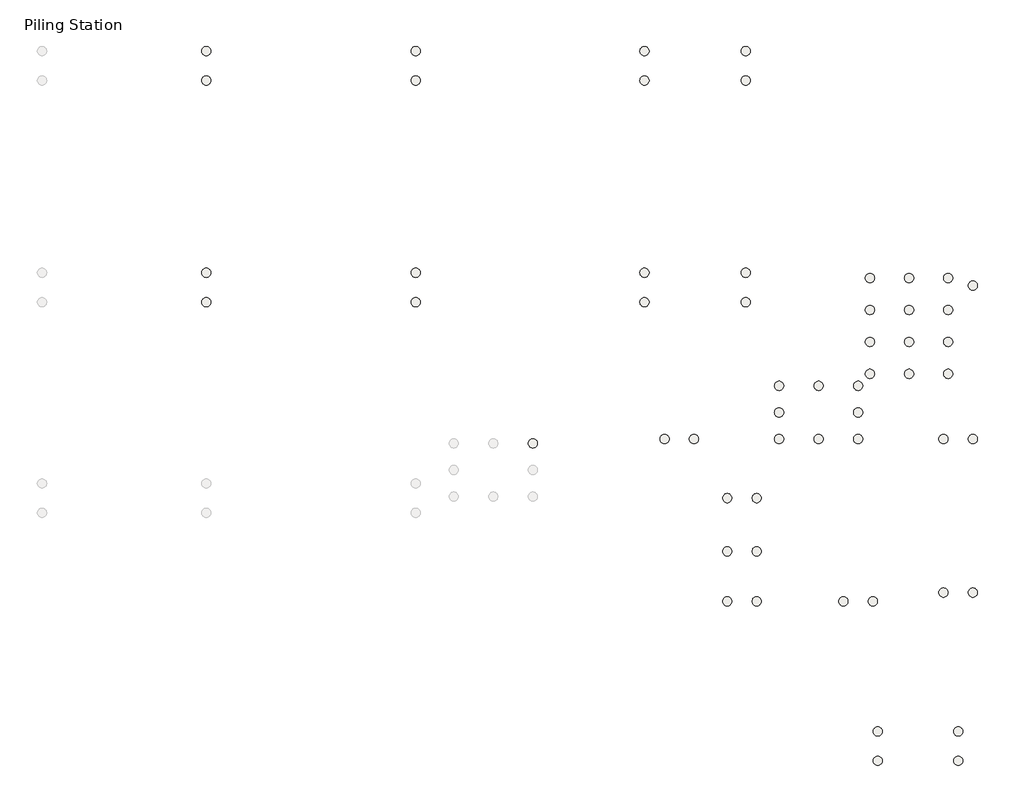
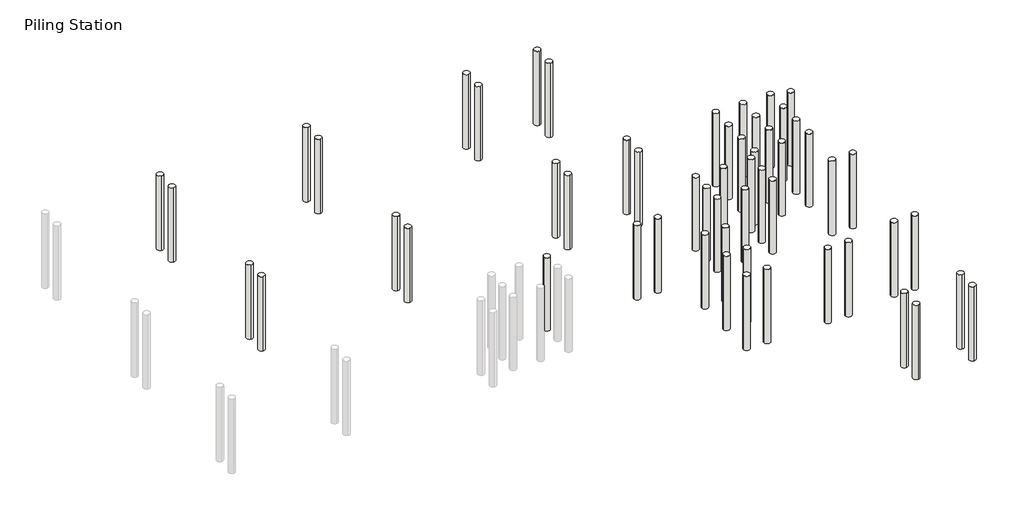
# One storey, part 4 of 4: 56 slabs.
"""IFC4 building model written with IfcOpenShell, lengths in millimetres."""

from ifc_helpers import new_model, si_unit, point, frame, frame_2d, origin, place, context, project, spatial, circle_curve, trimmed, segment, composite_curve, outline, extrude, element, save

model = new_model("IFC4")

# Units and contexts
model_context = context("Model", 3, world=origin())
ifc_project = project(units=[si_unit("LENGTHUNIT", "METRE", prefix="MILLI")], contexts=[model_context])

# Site, building, storey
site = spatial("IfcSite", under=ifc_project)
building = spatial("IfcBuilding", under=site)
storey = spatial("IfcBuildingStorey", under=building, Name="Piling Station", Elevation=-2100.0)

# Slabs
placement = place(None, origin())
element("IfcSlab", 1, ObjectType="Pile-Round with Symbol", at=placement, inside=storey, context=model_context, shape_type="SweptSolid", body=[
    extrude(outline(composite_curve([segment(trimmed(circle_curve(frame_2d((23682.3731257, -16245.558232)), 125.0), [point((23807.3731257, -16245.558232))], [point((23557.3731257, -16245.558232))], False, "CARTESIAN"), True, "CONTINUOUS"), segment(trimmed(circle_curve(frame_2d((23682.3731257, -16245.558232)), 125.0), [point((23557.3731257, -16245.558232))], [point((23807.3731257, -16245.558232))], False, "CARTESIAN"), True, "CONTINUOUS")], self_intersect=False)), frame((0.0, 0.0, -5100.0), z_axis=(0.0, 0.0, 1.0), x_axis=(1.0, 0.0, 0.0)), (0.0, 0.0, 1.0), 3050.0),
])
element("IfcSlab", 2, ObjectType="Pile-Round with Symbol", at=placement, inside=storey, context=model_context, shape_type="SweptSolid", body=[
    extrude(outline(composite_curve([segment(trimmed(circle_curve(frame_2d((22882.3731257, -16245.558232)), 125.0), [point((22757.3731257, -16245.558232))], [point((23007.3731257, -16245.558232))], False, "CARTESIAN"), True, "CONTINUOUS"), segment(trimmed(circle_curve(frame_2d((22882.3731257, -16245.558232)), 125.0), [point((23007.3731257, -16245.558232))], [point((22757.3731257, -16245.558232))], False, "CARTESIAN"), True, "CONTINUOUS")], self_intersect=False)), frame((0.0, 0.0, -5100.0), z_axis=(0.0, 0.0, 1.0), x_axis=(1.0, 0.0, 0.0)), (0.0, 0.0, 1.0), 3050.0),
])
element("IfcSlab", 3, ObjectType="Pile-Round with Symbol", at=placement, inside=storey, context=model_context, shape_type="SweptSolid", body=[
    extrude(outline(composite_curve([segment(trimmed(circle_curve(frame_2d((23682.3731257, -20421.3915653)), 125.0), [point((23807.3731257, -20421.3915653))], [point((23557.3731257, -20421.3915653))], False, "CARTESIAN"), True, "CONTINUOUS"), segment(trimmed(circle_curve(frame_2d((23682.3731257, -20421.3915653)), 125.0), [point((23557.3731257, -20421.3915653))], [point((23807.3731257, -20421.3915653))], False, "CARTESIAN"), True, "CONTINUOUS")], self_intersect=False)), frame((0.0, 0.0, -5100.0), z_axis=(0.0, 0.0, 1.0), x_axis=(1.0, 0.0, 0.0)), (0.0, 0.0, 1.0), 3050.0),
])
element("IfcSlab", 4, ObjectType="Pile-Round with Symbol", at=placement, inside=storey, context=model_context, shape_type="SweptSolid", body=[
    extrude(outline(composite_curve([segment(trimmed(circle_curve(frame_2d((22882.3731257, -20421.3915653)), 125.0), [point((22757.3731257, -20421.3915653))], [point((23007.3731257, -20421.3915653))], False, "CARTESIAN"), True, "CONTINUOUS"), segment(trimmed(circle_curve(frame_2d((22882.3731257, -20421.3915653)), 125.0), [point((23007.3731257, -20421.3915653))], [point((22757.3731257, -20421.3915653))], False, "CARTESIAN"), True, "CONTINUOUS")], self_intersect=False)), frame((0.0, 0.0, -5100.0), z_axis=(0.0, 0.0, 1.0), x_axis=(1.0, 0.0, 0.0)), (0.0, 0.0, 1.0), 3050.0),
])
element("IfcSlab", 5, ObjectType="Pile-Round with Symbol", at=placement, inside=storey, context=model_context, shape_type="SweptSolid", body=[
    extrude(outline(composite_curve([segment(trimmed(circle_curve(frame_2d((20962.4250814, -20659.7180835)), 125.0), [point((21087.4250814, -20659.7180835))], [point((20837.4250814, -20659.7180835))], False, "CARTESIAN"), True, "CONTINUOUS"), segment(trimmed(circle_curve(frame_2d((20962.4250814, -20659.7180835)), 125.0), [point((20837.4250814, -20659.7180835))], [point((21087.4250814, -20659.7180835))], False, "CARTESIAN"), True, "CONTINUOUS")], self_intersect=False)), frame((0.0, 0.0, -5100.0), z_axis=(0.0, 0.0, 1.0), x_axis=(1.0, 0.0, 0.0)), (0.0, 0.0, 1.0), 3050.0),
])
element("IfcSlab", 6, ObjectType="Pile-Round with Symbol", at=placement, inside=storey, context=model_context, shape_type="SweptSolid", body=[
    extrude(outline(composite_curve([segment(trimmed(circle_curve(frame_2d((20162.4250814, -20659.7180835)), 125.0), [point((20037.4250814, -20659.7180835))], [point((20287.4250814, -20659.7180835))], False, "CARTESIAN"), True, "CONTINUOUS"), segment(trimmed(circle_curve(frame_2d((20162.4250814, -20659.7180835)), 125.0), [point((20287.4250814, -20659.7180835))], [point((20037.4250814, -20659.7180835))], False, "CARTESIAN"), True, "CONTINUOUS")], self_intersect=False)), frame((0.0, 0.0, -5100.0), z_axis=(0.0, 0.0, 1.0), x_axis=(1.0, 0.0, 0.0)), (0.0, 0.0, 1.0), 3050.0),
])
element("IfcSlab", 7, ObjectType="Pile-Round with Symbol", at=placement, inside=storey, context=model_context, shape_type="SweptSolid", body=[
    extrude(outline(composite_curve([segment(trimmed(circle_curve(frame_2d((17804.9250814, -20659.7180835)), 125.0), [point((17929.9250814, -20659.7180835))], [point((17679.9250814, -20659.7180835))], False, "CARTESIAN"), True, "CONTINUOUS"), segment(trimmed(circle_curve(frame_2d((17804.9250814, -20659.7180835)), 125.0), [point((17679.9250814, -20659.7180835))], [point((17929.9250814, -20659.7180835))], False, "CARTESIAN"), True, "CONTINUOUS")], self_intersect=False)), frame((0.0, 0.0, -5100.0), z_axis=(0.0, 0.0, 1.0), x_axis=(1.0, 0.0, 0.0)), (0.0, 0.0, 1.0), 3050.0),
])
element("IfcSlab", 8, ObjectType="Pile-Round with Symbol", at=placement, inside=storey, context=model_context, shape_type="SweptSolid", body=[
    extrude(outline(composite_curve([segment(trimmed(circle_curve(frame_2d((17004.9250814, -20659.7180835)), 125.0), [point((16879.9250814, -20659.7180835))], [point((17129.9250814, -20659.7180835))], False, "CARTESIAN"), True, "CONTINUOUS"), segment(trimmed(circle_curve(frame_2d((17004.9250814, -20659.7180835)), 125.0), [point((17129.9250814, -20659.7180835))], [point((16879.9250814, -20659.7180835))], False, "CARTESIAN"), True, "CONTINUOUS")], self_intersect=False)), frame((0.0, 0.0, -5100.0), z_axis=(0.0, 0.0, 1.0), x_axis=(1.0, 0.0, 0.0)), (0.0, 0.0, 1.0), 3050.0),
])
element("IfcSlab", 9, ObjectType="Pile-Round with Symbol", at=placement, inside=storey, context=model_context, shape_type="SweptSolid", body=[
    extrude(outline(composite_curve([segment(trimmed(circle_curve(frame_2d((23282.3731257, -24197.2248986)), 125.0), [point((23282.3731257, -24072.2248986))], [point((23282.3731257, -24322.2248986))], False, "CARTESIAN"), True, "CONTINUOUS"), segment(trimmed(circle_curve(frame_2d((23282.3731257, -24197.2248986)), 125.0), [point((23282.3731257, -24322.2248986))], [point((23282.3731257, -24072.2248986))], False, "CARTESIAN"), True, "CONTINUOUS")], self_intersect=False)), frame((0.0, 0.0, -5100.0), z_axis=(0.0, 0.0, 1.0), x_axis=(1.0, 0.0, 0.0)), (0.0, 0.0, 1.0), 3050.0),
])
element("IfcSlab", 10, ObjectType="Pile-Round with Symbol", at=placement, inside=storey, context=model_context, shape_type="SweptSolid", body=[
    extrude(outline(composite_curve([segment(trimmed(circle_curve(frame_2d((23282.3731257, -24997.2248986)), 125.0), [point((23282.3731257, -25122.2248986))], [point((23282.3731257, -24872.2248986))], False, "CARTESIAN"), True, "CONTINUOUS"), segment(trimmed(circle_curve(frame_2d((23282.3731257, -24997.2248986)), 125.0), [point((23282.3731257, -24872.2248986))], [point((23282.3731257, -25122.2248986))], False, "CARTESIAN"), True, "CONTINUOUS")], self_intersect=False)), frame((0.0, 0.0, -5100.0), z_axis=(0.0, 0.0, 1.0), x_axis=(1.0, 0.0, 0.0)), (0.0, 0.0, 1.0), 3050.0),
])
element("IfcSlab", 11, ObjectType="Pile-Round with Symbol", at=placement, inside=storey, context=model_context, shape_type="SweptSolid", body=[
    extrude(outline(composite_curve([segment(trimmed(circle_curve(frame_2d((21097.4250814, -24197.2248986)), 125.0), [point((21097.4250814, -24072.2248986))], [point((21097.4250814, -24322.2248986))], False, "CARTESIAN"), True, "CONTINUOUS"), segment(trimmed(circle_curve(frame_2d((21097.4250814, -24197.2248986)), 125.0), [point((21097.4250814, -24322.2248986))], [point((21097.4250814, -24072.2248986))], False, "CARTESIAN"), True, "CONTINUOUS")], self_intersect=False)), frame((0.0, 0.0, -5100.0), z_axis=(0.0, 0.0, 1.0), x_axis=(1.0, 0.0, 0.0)), (0.0, 0.0, 1.0), 3050.0),
])
element("IfcSlab", 12, ObjectType="Pile-Round with Symbol", at=placement, inside=storey, context=model_context, shape_type="SweptSolid", body=[
    extrude(outline(composite_curve([segment(trimmed(circle_curve(frame_2d((21097.4250814, -24997.2248986)), 125.0), [point((21097.4250814, -25122.2248986))], [point((21097.4250814, -24872.2248986))], False, "CARTESIAN"), True, "CONTINUOUS"), segment(trimmed(circle_curve(frame_2d((21097.4250814, -24997.2248986)), 125.0), [point((21097.4250814, -24872.2248986))], [point((21097.4250814, -25122.2248986))], False, "CARTESIAN"), True, "CONTINUOUS")], self_intersect=False)), frame((0.0, 0.0, -5100.0), z_axis=(0.0, 0.0, 1.0), x_axis=(1.0, 0.0, 0.0)), (0.0, 0.0, 1.0), 3050.0),
])
element("IfcSlab", 13, ObjectType="Pile-Round with Symbol", at=placement, inside=storey, context=model_context, shape_type="SweptSolid", body=[
    extrude(outline(composite_curve([segment(trimmed(circle_curve(frame_2d((17804.9250814, -19299.1395763)), 125.0), [point((17929.9250814, -19299.1395763))], [point((17679.9250814, -19299.1395763))], False, "CARTESIAN"), True, "CONTINUOUS"), segment(trimmed(circle_curve(frame_2d((17804.9250814, -19299.1395763)), 125.0), [point((17679.9250814, -19299.1395763))], [point((17929.9250814, -19299.1395763))], False, "CARTESIAN"), True, "CONTINUOUS")], self_intersect=False)), frame((0.0, 0.0, -5100.0), z_axis=(0.0, 0.0, 1.0), x_axis=(1.0, 0.0, 0.0)), (0.0, 0.0, 1.0), 3050.0),
])
element("IfcSlab", 14, ObjectType="Pile-Round with Symbol", at=placement, inside=storey, context=model_context, shape_type="SweptSolid", body=[
    extrude(outline(composite_curve([segment(trimmed(circle_curve(frame_2d((17004.9250814, -19299.1395763)), 125.0), [point((16879.9250814, -19299.1395763))], [point((17129.9250814, -19299.1395763))], False, "CARTESIAN"), True, "CONTINUOUS"), segment(trimmed(circle_curve(frame_2d((17004.9250814, -19299.1395763)), 125.0), [point((17129.9250814, -19299.1395763))], [point((16879.9250814, -19299.1395763))], False, "CARTESIAN"), True, "CONTINUOUS")], self_intersect=False)), frame((0.0, 0.0, -5100.0), z_axis=(0.0, 0.0, 1.0), x_axis=(1.0, 0.0, 0.0)), (0.0, 0.0, 1.0), 3050.0),
])
element("IfcSlab", 15, ObjectType="Pile-Round with Symbol", at=placement, inside=storey, context=model_context, shape_type="SweptSolid", body=[
    extrude(outline(composite_curve([segment(trimmed(circle_curve(frame_2d((17804.9250814, -17852.2248986)), 125.0), [point((17929.9250814, -17852.2248986))], [point((17679.9250814, -17852.2248986))], False, "CARTESIAN"), True, "CONTINUOUS"), segment(trimmed(circle_curve(frame_2d((17804.9250814, -17852.2248986)), 125.0), [point((17679.9250814, -17852.2248986))], [point((17929.9250814, -17852.2248986))], False, "CARTESIAN"), True, "CONTINUOUS")], self_intersect=False)), frame((0.0, 0.0, -5100.0), z_axis=(0.0, 0.0, 1.0), x_axis=(1.0, 0.0, 0.0)), (0.0, 0.0, 1.0), 3050.0),
])
element("IfcSlab", 16, ObjectType="Pile-Round with Symbol", at=placement, inside=storey, context=model_context, shape_type="SweptSolid", body=[
    extrude(outline(composite_curve([segment(trimmed(circle_curve(frame_2d((17004.9250814, -17852.2248986)), 125.0), [point((16879.9250814, -17852.2248986))], [point((17129.9250814, -17852.2248986))], False, "CARTESIAN"), True, "CONTINUOUS"), segment(trimmed(circle_curve(frame_2d((17004.9250814, -17852.2248986)), 125.0), [point((17129.9250814, -17852.2248986))], [point((16879.9250814, -17852.2248986))], False, "CARTESIAN"), True, "CONTINUOUS")], self_intersect=False)), frame((0.0, 0.0, -5100.0), z_axis=(0.0, 0.0, 1.0), x_axis=(1.0, 0.0, 0.0)), (0.0, 0.0, 1.0), 3050.0),
])
element("IfcSlab", 17, ObjectType="Pile-Round with Symbol", at=placement, inside=storey, context=model_context, shape_type="SweptSolid", body=[
    extrude(outline(composite_curve([segment(trimmed(circle_curve(frame_2d((16099.8821845, -16244.1031039)), 125.0), [point((16224.8821845, -16244.1031039))], [point((15974.8821845, -16244.1031039))], False, "CARTESIAN"), True, "CONTINUOUS"), segment(trimmed(circle_curve(frame_2d((16099.8821845, -16244.1031039)), 125.0), [point((15974.8821845, -16244.1031039))], [point((16224.8821845, -16244.1031039))], False, "CARTESIAN"), True, "CONTINUOUS")], self_intersect=False)), frame((0.0, 0.0, -5100.0), z_axis=(0.0, 0.0, 1.0), x_axis=(1.0, 0.0, 0.0)), (0.0, 0.0, 1.0), 3050.0),
])
element("IfcSlab", 18, ObjectType="Pile-Round with Symbol", at=placement, inside=storey, context=model_context, shape_type="SweptSolid", body=[
    extrude(outline(composite_curve([segment(trimmed(circle_curve(frame_2d((15299.8821845, -16244.1031039)), 125.0), [point((15174.8821845, -16244.1031039))], [point((15424.8821845, -16244.1031039))], False, "CARTESIAN"), True, "CONTINUOUS"), segment(trimmed(circle_curve(frame_2d((15299.8821845, -16244.1031039)), 125.0), [point((15424.8821845, -16244.1031039))], [point((15174.8821845, -16244.1031039))], False, "CARTESIAN"), True, "CONTINUOUS")], self_intersect=False)), frame((0.0, 0.0, -5100.0), z_axis=(0.0, 0.0, 1.0), x_axis=(1.0, 0.0, 0.0)), (0.0, 0.0, 1.0), 3050.0),
])
element("IfcSlab", 19, ObjectType="Pile-Round with Symbol", at=placement, inside=storey, context=model_context, shape_type="SweptSolid", body=[
    extrude(outline(composite_curve([segment(trimmed(circle_curve(frame_2d((14752.4250814, -12519.7248986)), 125.0), [point((14752.4250814, -12644.7248986))], [point((14752.4250814, -12394.7248986))], False, "CARTESIAN"), True, "CONTINUOUS"), segment(trimmed(circle_curve(frame_2d((14752.4250814, -12519.7248986)), 125.0), [point((14752.4250814, -12394.7248986))], [point((14752.4250814, -12644.7248986))], False, "CARTESIAN"), True, "CONTINUOUS")], self_intersect=False)), frame((0.0, 0.0, -5100.0), z_axis=(0.0, 0.0, 1.0), x_axis=(1.0, 0.0, 0.0)), (0.0, 0.0, 1.0), 3050.0),
])
element("IfcSlab", 20, ObjectType="Pile-Round with Symbol", at=placement, inside=storey, context=model_context, shape_type="SweptSolid", body=[
    extrude(outline(composite_curve([segment(trimmed(circle_curve(frame_2d((14752.4250814, -11719.7248986)), 125.0), [point((14752.4250814, -11594.7248986))], [point((14752.4250814, -11844.7248986))], False, "CARTESIAN"), True, "CONTINUOUS"), segment(trimmed(circle_curve(frame_2d((14752.4250814, -11719.7248986)), 125.0), [point((14752.4250814, -11844.7248986))], [point((14752.4250814, -11594.7248986))], False, "CARTESIAN"), True, "CONTINUOUS")], self_intersect=False)), frame((0.0, 0.0, -5100.0), z_axis=(0.0, 0.0, 1.0), x_axis=(1.0, 0.0, 0.0)), (0.0, 0.0, 1.0), 3050.0),
])
element("IfcSlab", 21, ObjectType="Pile-Round with Symbol", at=placement, inside=storey, context=model_context, shape_type="SweptSolid", body=[
    extrude(outline(composite_curve([segment(trimmed(circle_curve(frame_2d((17504.9250814, -12519.7248986)), 125.0), [point((17504.9250814, -12644.7248986))], [point((17504.9250814, -12394.7248986))], False, "CARTESIAN"), True, "CONTINUOUS"), segment(trimmed(circle_curve(frame_2d((17504.9250814, -12519.7248986)), 125.0), [point((17504.9250814, -12394.7248986))], [point((17504.9250814, -12644.7248986))], False, "CARTESIAN"), True, "CONTINUOUS")], self_intersect=False)), frame((0.0, 0.0, -5100.0), z_axis=(0.0, 0.0, 1.0), x_axis=(1.0, 0.0, 0.0)), (0.0, 0.0, 1.0), 3050.0),
])
element("IfcSlab", 22, ObjectType="Pile-Round with Symbol", at=placement, inside=storey, context=model_context, shape_type="SweptSolid", body=[
    extrude(outline(composite_curve([segment(trimmed(circle_curve(frame_2d((17504.9250814, -11719.7248986)), 125.0), [point((17504.9250814, -11594.7248986))], [point((17504.9250814, -11844.7248986))], False, "CARTESIAN"), True, "CONTINUOUS"), segment(trimmed(circle_curve(frame_2d((17504.9250814, -11719.7248986)), 125.0), [point((17504.9250814, -11844.7248986))], [point((17504.9250814, -11594.7248986))], False, "CARTESIAN"), True, "CONTINUOUS")], self_intersect=False)), frame((0.0, 0.0, -5100.0), z_axis=(0.0, 0.0, 1.0), x_axis=(1.0, 0.0, 0.0)), (0.0, 0.0, 1.0), 3050.0),
])
element("IfcSlab", 23, ObjectType="Pile-Round with Symbol", at=placement, inside=storey, context=model_context, shape_type="SweptSolid", body=[
    extrude(outline(composite_curve([segment(trimmed(circle_curve(frame_2d((8532.4250814, -12519.7248986)), 125.0), [point((8532.4250814, -12644.7248986))], [point((8532.4250814, -12394.7248986))], False, "CARTESIAN"), True, "CONTINUOUS"), segment(trimmed(circle_curve(frame_2d((8532.4250814, -12519.7248986)), 125.0), [point((8532.4250814, -12394.7248986))], [point((8532.4250814, -12644.7248986))], False, "CARTESIAN"), True, "CONTINUOUS")], self_intersect=False)), frame((0.0, 0.0, -5100.0), z_axis=(0.0, 0.0, 1.0), x_axis=(1.0, 0.0, 0.0)), (0.0, 0.0, 1.0), 3050.0),
])
element("IfcSlab", 24, ObjectType="Pile-Round with Symbol", at=placement, inside=storey, context=model_context, shape_type="SweptSolid", body=[
    extrude(outline(composite_curve([segment(trimmed(circle_curve(frame_2d((8532.4250814, -11719.7248986)), 125.0), [point((8532.4250814, -11594.7248986))], [point((8532.4250814, -11844.7248986))], False, "CARTESIAN"), True, "CONTINUOUS"), segment(trimmed(circle_curve(frame_2d((8532.4250814, -11719.7248986)), 125.0), [point((8532.4250814, -11844.7248986))], [point((8532.4250814, -11594.7248986))], False, "CARTESIAN"), True, "CONTINUOUS")], self_intersect=False)), frame((0.0, 0.0, -5100.0), z_axis=(0.0, 0.0, 1.0), x_axis=(1.0, 0.0, 0.0)), (0.0, 0.0, 1.0), 3050.0),
])
element("IfcSlab", 25, ObjectType="Pile-Round with Symbol", at=placement, inside=storey, context=model_context, shape_type="SweptSolid", body=[
    extrude(outline(composite_curve([segment(trimmed(circle_curve(frame_2d((2839.0837277, -12519.7248986)), 125.0), [point((2839.0837277, -12644.7248986))], [point((2839.0837277, -12394.7248986))], False, "CARTESIAN"), True, "CONTINUOUS"), segment(trimmed(circle_curve(frame_2d((2839.0837277, -12519.7248986)), 125.0), [point((2839.0837277, -12394.7248986))], [point((2839.0837277, -12644.7248986))], False, "CARTESIAN"), True, "CONTINUOUS")], self_intersect=False)), frame((0.0, 0.0, -5100.0), z_axis=(0.0, 0.0, 1.0), x_axis=(1.0, 0.0, 0.0)), (0.0, 0.0, 1.0), 3050.0),
])
element("IfcSlab", 26, ObjectType="Pile-Round with Symbol", at=placement, inside=storey, context=model_context, shape_type="SweptSolid", body=[
    extrude(outline(composite_curve([segment(trimmed(circle_curve(frame_2d((2839.0837277, -11719.7248986)), 125.0), [point((2839.0837277, -11594.7248986))], [point((2839.0837277, -11844.7248986))], False, "CARTESIAN"), True, "CONTINUOUS"), segment(trimmed(circle_curve(frame_2d((2839.0837277, -11719.7248986)), 125.0), [point((2839.0837277, -11844.7248986))], [point((2839.0837277, -11594.7248986))], False, "CARTESIAN"), True, "CONTINUOUS")], self_intersect=False)), frame((0.0, 0.0, -5100.0), z_axis=(0.0, 0.0, 1.0), x_axis=(1.0, 0.0, 0.0)), (0.0, 0.0, 1.0), 3050.0),
])
element("IfcSlab", 27, ObjectType="Pile-Round with Symbol", at=placement, inside=storey, context=model_context, shape_type="SweptSolid", body=[
    extrude(outline(composite_curve([segment(trimmed(circle_curve(frame_2d((17504.9250814, -6489.7248986)), 125.0), [point((17504.9250814, -6614.7248986))], [point((17504.9250814, -6364.7248986))], False, "CARTESIAN"), True, "CONTINUOUS"), segment(trimmed(circle_curve(frame_2d((17504.9250814, -6489.7248986)), 125.0), [point((17504.9250814, -6364.7248986))], [point((17504.9250814, -6614.7248986))], False, "CARTESIAN"), True, "CONTINUOUS")], self_intersect=False)), frame((0.0, 0.0, -5100.0), z_axis=(0.0, 0.0, 1.0), x_axis=(1.0, 0.0, 0.0)), (0.0, 0.0, 1.0), 3050.0),
])
element("IfcSlab", 28, ObjectType="Pile-Round with Symbol", at=placement, inside=storey, context=model_context, shape_type="SweptSolid", body=[
    extrude(outline(composite_curve([segment(trimmed(circle_curve(frame_2d((17504.9250814, -5689.7248986)), 125.0), [point((17504.9250814, -5564.7248986))], [point((17504.9250814, -5814.7248986))], False, "CARTESIAN"), True, "CONTINUOUS"), segment(trimmed(circle_curve(frame_2d((17504.9250814, -5689.7248986)), 125.0), [point((17504.9250814, -5814.7248986))], [point((17504.9250814, -5564.7248986))], False, "CARTESIAN"), True, "CONTINUOUS")], self_intersect=False)), frame((0.0, 0.0, -5100.0), z_axis=(0.0, 0.0, 1.0), x_axis=(1.0, 0.0, 0.0)), (0.0, 0.0, 1.0), 3050.0),
])
element("IfcSlab", 29, ObjectType="Pile-Round with Symbol", at=placement, inside=storey, context=model_context, shape_type="SweptSolid", body=[
    extrude(outline(composite_curve([segment(trimmed(circle_curve(frame_2d((14752.4250814, -6489.7248986)), 125.0), [point((14752.4250814, -6614.7248986))], [point((14752.4250814, -6364.7248986))], False, "CARTESIAN"), True, "CONTINUOUS"), segment(trimmed(circle_curve(frame_2d((14752.4250814, -6489.7248986)), 125.0), [point((14752.4250814, -6364.7248986))], [point((14752.4250814, -6614.7248986))], False, "CARTESIAN"), True, "CONTINUOUS")], self_intersect=False)), frame((0.0, 0.0, -5100.0), z_axis=(0.0, 0.0, 1.0), x_axis=(1.0, 0.0, 0.0)), (0.0, 0.0, 1.0), 3050.0),
])
element("IfcSlab", 30, ObjectType="Pile-Round with Symbol", at=placement, inside=storey, context=model_context, shape_type="SweptSolid", body=[
    extrude(outline(composite_curve([segment(trimmed(circle_curve(frame_2d((14752.4250814, -5689.7248986)), 125.0), [point((14752.4250814, -5564.7248986))], [point((14752.4250814, -5814.7248986))], False, "CARTESIAN"), True, "CONTINUOUS"), segment(trimmed(circle_curve(frame_2d((14752.4250814, -5689.7248986)), 125.0), [point((14752.4250814, -5814.7248986))], [point((14752.4250814, -5564.7248986))], False, "CARTESIAN"), True, "CONTINUOUS")], self_intersect=False)), frame((0.0, 0.0, -5100.0), z_axis=(0.0, 0.0, 1.0), x_axis=(1.0, 0.0, 0.0)), (0.0, 0.0, 1.0), 3050.0),
])
element("IfcSlab", 31, ObjectType="Pile-Round with Symbol", at=placement, inside=storey, context=model_context, shape_type="SweptSolid", body=[
    extrude(outline(composite_curve([segment(trimmed(circle_curve(frame_2d((8532.4250814, -6489.7248986)), 125.0), [point((8532.4250814, -6614.7248986))], [point((8532.4250814, -6364.7248986))], False, "CARTESIAN"), True, "CONTINUOUS"), segment(trimmed(circle_curve(frame_2d((8532.4250814, -6489.7248986)), 125.0), [point((8532.4250814, -6364.7248986))], [point((8532.4250814, -6614.7248986))], False, "CARTESIAN"), True, "CONTINUOUS")], self_intersect=False)), frame((0.0, 0.0, -5100.0), z_axis=(0.0, 0.0, 1.0), x_axis=(1.0, 0.0, 0.0)), (0.0, 0.0, 1.0), 3050.0),
])
element("IfcSlab", 32, ObjectType="Pile-Round with Symbol", at=placement, inside=storey, context=model_context, shape_type="SweptSolid", body=[
    extrude(outline(composite_curve([segment(trimmed(circle_curve(frame_2d((8532.4250814, -5689.7248986)), 125.0), [point((8532.4250814, -5564.7248986))], [point((8532.4250814, -5814.7248986))], False, "CARTESIAN"), True, "CONTINUOUS"), segment(trimmed(circle_curve(frame_2d((8532.4250814, -5689.7248986)), 125.0), [point((8532.4250814, -5814.7248986))], [point((8532.4250814, -5564.7248986))], False, "CARTESIAN"), True, "CONTINUOUS")], self_intersect=False)), frame((0.0, 0.0, -5100.0), z_axis=(0.0, 0.0, 1.0), x_axis=(1.0, 0.0, 0.0)), (0.0, 0.0, 1.0), 3050.0),
])
element("IfcSlab", 33, ObjectType="Pile-Round with Symbol", at=placement, inside=storey, context=model_context, shape_type="SweptSolid", body=[
    extrude(outline(composite_curve([segment(trimmed(circle_curve(frame_2d((2839.0837277, -6489.7248986)), 125.0), [point((2839.0837277, -6614.7248986))], [point((2839.0837277, -6364.7248986))], False, "CARTESIAN"), True, "CONTINUOUS"), segment(trimmed(circle_curve(frame_2d((2839.0837277, -6489.7248986)), 125.0), [point((2839.0837277, -6364.7248986))], [point((2839.0837277, -6614.7248986))], False, "CARTESIAN"), True, "CONTINUOUS")], self_intersect=False)), frame((0.0, 0.0, -5100.0), z_axis=(0.0, 0.0, 1.0), x_axis=(1.0, 0.0, 0.0)), (0.0, 0.0, 1.0), 3050.0),
])
element("IfcSlab", 34, ObjectType="Pile-Round with Symbol", at=placement, inside=storey, context=model_context, shape_type="SweptSolid", body=[
    extrude(outline(composite_curve([segment(trimmed(circle_curve(frame_2d((2839.0837277, -5689.7248986)), 125.0), [point((2839.0837277, -5564.7248986))], [point((2839.0837277, -5814.7248986))], False, "CARTESIAN"), True, "CONTINUOUS"), segment(trimmed(circle_curve(frame_2d((2839.0837277, -5689.7248986)), 125.0), [point((2839.0837277, -5814.7248986))], [point((2839.0837277, -5564.7248986))], False, "CARTESIAN"), True, "CONTINUOUS")], self_intersect=False)), frame((0.0, 0.0, -5100.0), z_axis=(0.0, 0.0, 1.0), x_axis=(1.0, 0.0, 0.0)), (0.0, 0.0, 1.0), 3050.0),
])
element("IfcSlab", 35, ObjectType="Pile-Round with Symbol", at=placement, inside=storey, context=model_context, shape_type="SweptSolid", body=[
    extrude(outline(composite_curve([segment(trimmed(circle_curve(frame_2d((23682.3731257, -12069.7248986)), 125.0), [point((23557.3731257, -12069.7248986))], [point((23807.3731257, -12069.7248986))], False, "CARTESIAN"), True, "CONTINUOUS"), segment(trimmed(circle_curve(frame_2d((23682.3731257, -12069.7248986)), 125.0), [point((23807.3731257, -12069.7248986))], [point((23557.3731257, -12069.7248986))], False, "CARTESIAN"), True, "CONTINUOUS")], self_intersect=False)), frame((0.0, 0.0, -5050.0), z_axis=(0.0, 0.0, 1.0), x_axis=(1.0, 0.0, 0.0)), (0.0, 0.0, 1.0), 3000.0),
])
element("IfcSlab", 36, ObjectType="Pile-Round with Symbol", at=placement, inside=storey, context=model_context, shape_type="SweptSolid", body=[
    extrude(outline(composite_curve([segment(trimmed(circle_curve(frame_2d((23009.9250814, -11862.2248986)), 125.0), [point((22884.9250814, -11862.2248986))], [point((23134.9250814, -11862.2248986))], False, "CARTESIAN"), True, "CONTINUOUS"), segment(trimmed(circle_curve(frame_2d((23009.9250814, -11862.2248986)), 125.0), [point((23134.9250814, -11862.2248986))], [point((22884.9250814, -11862.2248986))], False, "CARTESIAN"), True, "CONTINUOUS")], self_intersect=False)), frame((0.0, 0.0, -5050.0), z_axis=(0.0, 0.0, 1.0), x_axis=(1.0, 0.0, 0.0)), (0.0, 0.0, 1.0), 3000.0),
])
element("IfcSlab", 37, ObjectType="Pile-Round with Symbol", at=placement, inside=storey, context=model_context, shape_type="SweptSolid", body=[
    extrude(outline(composite_curve([segment(trimmed(circle_curve(frame_2d((20884.9250814, -11862.2248986)), 125.0), [point((20759.9250814, -11862.2248986))], [point((21009.9250814, -11862.2248986))], False, "CARTESIAN"), True, "CONTINUOUS"), segment(trimmed(circle_curve(frame_2d((20884.9250814, -11862.2248986)), 125.0), [point((21009.9250814, -11862.2248986))], [point((20759.9250814, -11862.2248986))], False, "CARTESIAN"), True, "CONTINUOUS")], self_intersect=False)), frame((0.0, 0.0, -5050.0), z_axis=(0.0, 0.0, 1.0), x_axis=(1.0, 0.0, 0.0)), (0.0, 0.0, 1.0), 3000.0),
])
element("IfcSlab", 38, ObjectType="Pile-Round with Symbol", at=placement, inside=storey, context=model_context, shape_type="SweptSolid", body=[
    extrude(outline(composite_curve([segment(trimmed(circle_curve(frame_2d((21947.4250814, -11862.2248986)), 125.0), [point((21822.4250814, -11862.2248986))], [point((22072.4250814, -11862.2248986))], False, "CARTESIAN"), True, "CONTINUOUS"), segment(trimmed(circle_curve(frame_2d((21947.4250814, -11862.2248986)), 125.0), [point((22072.4250814, -11862.2248986))], [point((21822.4250814, -11862.2248986))], False, "CARTESIAN"), True, "CONTINUOUS")], self_intersect=False)), frame((0.0, 0.0, -5050.0), z_axis=(0.0, 0.0, 1.0), x_axis=(1.0, 0.0, 0.0)), (0.0, 0.0, 1.0), 3000.0),
])
element("IfcSlab", 39, ObjectType="Pile-Round with Symbol", at=placement, inside=storey, context=model_context, shape_type="SweptSolid", body=[
    extrude(outline(composite_curve([segment(trimmed(circle_curve(frame_2d((23009.9250814, -14469.7248986)), 125.0), [point((22884.9250814, -14469.7248986))], [point((23134.9250814, -14469.7248986))], False, "CARTESIAN"), True, "CONTINUOUS"), segment(trimmed(circle_curve(frame_2d((23009.9250814, -14469.7248986)), 125.0), [point((23134.9250814, -14469.7248986))], [point((22884.9250814, -14469.7248986))], False, "CARTESIAN"), True, "CONTINUOUS")], self_intersect=False)), frame((0.0, 0.0, -5050.0), z_axis=(0.0, 0.0, 1.0), x_axis=(1.0, 0.0, 0.0)), (0.0, 0.0, 1.0), 3000.0),
])
element("IfcSlab", 40, ObjectType="Pile-Round with Symbol", at=placement, inside=storey, context=model_context, shape_type="SweptSolid", body=[
    extrude(outline(composite_curve([segment(trimmed(circle_curve(frame_2d((21947.4250814, -14469.7248986)), 125.0), [point((21822.4250814, -14469.7248986))], [point((22072.4250814, -14469.7248986))], False, "CARTESIAN"), True, "CONTINUOUS"), segment(trimmed(circle_curve(frame_2d((21947.4250814, -14469.7248986)), 125.0), [point((22072.4250814, -14469.7248986))], [point((21822.4250814, -14469.7248986))], False, "CARTESIAN"), True, "CONTINUOUS")], self_intersect=False)), frame((0.0, 0.0, -5050.0), z_axis=(0.0, 0.0, 1.0), x_axis=(1.0, 0.0, 0.0)), (0.0, 0.0, 1.0), 3000.0),
])
element("IfcSlab", 41, ObjectType="Pile-Round with Symbol", at=placement, inside=storey, context=model_context, shape_type="SweptSolid", body=[
    extrude(outline(composite_curve([segment(trimmed(circle_curve(frame_2d((23009.9250814, -12731.3915653)), 125.0), [point((22884.9250814, -12731.3915653))], [point((23134.9250814, -12731.3915653))], False, "CARTESIAN"), True, "CONTINUOUS"), segment(trimmed(circle_curve(frame_2d((23009.9250814, -12731.3915653)), 125.0), [point((23134.9250814, -12731.3915653))], [point((22884.9250814, -12731.3915653))], False, "CARTESIAN"), True, "CONTINUOUS")], self_intersect=False)), frame((0.0, 0.0, -5050.0), z_axis=(0.0, 0.0, 1.0), x_axis=(1.0, 0.0, 0.0)), (0.0, 0.0, 1.0), 3000.0),
])
element("IfcSlab", 42, ObjectType="Pile-Round with Symbol", at=placement, inside=storey, context=model_context, shape_type="SweptSolid", body=[
    extrude(outline(composite_curve([segment(trimmed(circle_curve(frame_2d((20884.9250814, -12731.3915653)), 125.0), [point((20759.9250814, -12731.3915653))], [point((21009.9250814, -12731.3915653))], False, "CARTESIAN"), True, "CONTINUOUS"), segment(trimmed(circle_curve(frame_2d((20884.9250814, -12731.3915653)), 125.0), [point((21009.9250814, -12731.3915653))], [point((20759.9250814, -12731.3915653))], False, "CARTESIAN"), True, "CONTINUOUS")], self_intersect=False)), frame((0.0, 0.0, -5050.0), z_axis=(0.0, 0.0, 1.0), x_axis=(1.0, 0.0, 0.0)), (0.0, 0.0, 1.0), 3000.0),
])
element("IfcSlab", 43, ObjectType="Pile-Round with Symbol", at=placement, inside=storey, context=model_context, shape_type="SweptSolid", body=[
    extrude(outline(composite_curve([segment(trimmed(circle_curve(frame_2d((21947.4250814, -12731.3915653)), 125.0), [point((21822.4250814, -12731.3915653))], [point((22072.4250814, -12731.3915653))], False, "CARTESIAN"), True, "CONTINUOUS"), segment(trimmed(circle_curve(frame_2d((21947.4250814, -12731.3915653)), 125.0), [point((22072.4250814, -12731.3915653))], [point((21822.4250814, -12731.3915653))], False, "CARTESIAN"), True, "CONTINUOUS")], self_intersect=False)), frame((0.0, 0.0, -5050.0), z_axis=(0.0, 0.0, 1.0), x_axis=(1.0, 0.0, 0.0)), (0.0, 0.0, 1.0), 3000.0),
])
element("IfcSlab", 44, ObjectType="Pile-Round with Symbol", at=placement, inside=storey, context=model_context, shape_type="SweptSolid", body=[
    extrude(outline(composite_curve([segment(trimmed(circle_curve(frame_2d((23009.9250814, -13600.558232)), 125.0), [point((22884.9250814, -13600.558232))], [point((23134.9250814, -13600.558232))], False, "CARTESIAN"), True, "CONTINUOUS"), segment(trimmed(circle_curve(frame_2d((23009.9250814, -13600.558232)), 125.0), [point((23134.9250814, -13600.558232))], [point((22884.9250814, -13600.558232))], False, "CARTESIAN"), True, "CONTINUOUS")], self_intersect=False)), frame((0.0, 0.0, -5050.0), z_axis=(0.0, 0.0, 1.0), x_axis=(1.0, 0.0, 0.0)), (0.0, 0.0, 1.0), 3000.0),
])
element("IfcSlab", 45, ObjectType="Pile-Round with Symbol", at=placement, inside=storey, context=model_context, shape_type="SweptSolid", body=[
    extrude(outline(composite_curve([segment(trimmed(circle_curve(frame_2d((20884.9250814, -13600.558232)), 125.0), [point((20759.9250814, -13600.558232))], [point((21009.9250814, -13600.558232))], False, "CARTESIAN"), True, "CONTINUOUS"), segment(trimmed(circle_curve(frame_2d((20884.9250814, -13600.558232)), 125.0), [point((21009.9250814, -13600.558232))], [point((20759.9250814, -13600.558232))], False, "CARTESIAN"), True, "CONTINUOUS")], self_intersect=False)), frame((0.0, 0.0, -5050.0), z_axis=(0.0, 0.0, 1.0), x_axis=(1.0, 0.0, 0.0)), (0.0, 0.0, 1.0), 3000.0),
])
element("IfcSlab", 46, ObjectType="Pile-Round with Symbol", at=placement, inside=storey, context=model_context, shape_type="SweptSolid", body=[
    extrude(outline(composite_curve([segment(trimmed(circle_curve(frame_2d((21947.4250814, -13600.558232)), 125.0), [point((21822.4250814, -13600.558232))], [point((22072.4250814, -13600.558232))], False, "CARTESIAN"), True, "CONTINUOUS"), segment(trimmed(circle_curve(frame_2d((21947.4250814, -13600.558232)), 125.0), [point((22072.4250814, -13600.558232))], [point((21822.4250814, -13600.558232))], False, "CARTESIAN"), True, "CONTINUOUS")], self_intersect=False)), frame((0.0, 0.0, -5050.0), z_axis=(0.0, 0.0, 1.0), x_axis=(1.0, 0.0, 0.0)), (0.0, 0.0, 1.0), 3000.0),
])
element("IfcSlab", 47, ObjectType="Pile-Round with Symbol", at=placement, inside=storey, context=model_context, shape_type="SweptSolid", body=[
    extrude(outline(composite_curve([segment(trimmed(circle_curve(frame_2d((19487.4250814, -14795.558232)), 125.0), [point((19362.4250814, -14795.558232))], [point((19612.4250814, -14795.558232))], False, "CARTESIAN"), True, "CONTINUOUS"), segment(trimmed(circle_curve(frame_2d((19487.4250814, -14795.558232)), 125.0), [point((19612.4250814, -14795.558232))], [point((19362.4250814, -14795.558232))], False, "CARTESIAN"), True, "CONTINUOUS")], self_intersect=False)), frame((0.0, 0.0, -5050.0), z_axis=(0.0, 0.0, 1.0), x_axis=(1.0, 0.0, 0.0)), (0.0, 0.0, 1.0), 3000.0),
])
element("IfcSlab", 48, ObjectType="Pile-Round with Symbol", at=placement, inside=storey, context=model_context, shape_type="SweptSolid", body=[
    extrude(outline(composite_curve([segment(trimmed(circle_curve(frame_2d((18412.4250814, -14795.558232)), 125.0), [point((18287.4250814, -14795.558232))], [point((18537.4250814, -14795.558232))], False, "CARTESIAN"), True, "CONTINUOUS"), segment(trimmed(circle_curve(frame_2d((18412.4250814, -14795.558232)), 125.0), [point((18537.4250814, -14795.558232))], [point((18287.4250814, -14795.558232))], False, "CARTESIAN"), True, "CONTINUOUS")], self_intersect=False)), frame((0.0, 0.0, -5050.0), z_axis=(0.0, 0.0, 1.0), x_axis=(1.0, 0.0, 0.0)), (0.0, 0.0, 1.0), 3000.0),
])
element("IfcSlab", 49, ObjectType="Pile-Round with Symbol", at=placement, inside=storey, context=model_context, shape_type="SweptSolid", body=[
    extrude(outline(composite_curve([segment(trimmed(circle_curve(frame_2d((18412.4250814, -16245.558232)), 125.0), [point((18287.4250814, -16245.558232))], [point((18537.4250814, -16245.558232))], False, "CARTESIAN"), True, "CONTINUOUS"), segment(trimmed(circle_curve(frame_2d((18412.4250814, -16245.558232)), 125.0), [point((18537.4250814, -16245.558232))], [point((18287.4250814, -16245.558232))], False, "CARTESIAN"), True, "CONTINUOUS")], self_intersect=False)), frame((0.0, 0.0, -5050.0), z_axis=(0.0, 0.0, 1.0), x_axis=(1.0, 0.0, 0.0)), (0.0, 0.0, 1.0), 3000.0),
])
element("IfcSlab", 50, ObjectType="Pile-Round with Symbol", at=placement, inside=storey, context=model_context, shape_type="SweptSolid", body=[
    extrude(outline(composite_curve([segment(trimmed(circle_curve(frame_2d((19487.4250814, -16245.558232)), 125.0), [point((19362.4250814, -16245.558232))], [point((19612.4250814, -16245.558232))], False, "CARTESIAN"), True, "CONTINUOUS"), segment(trimmed(circle_curve(frame_2d((19487.4250814, -16245.558232)), 125.0), [point((19612.4250814, -16245.558232))], [point((19362.4250814, -16245.558232))], False, "CARTESIAN"), True, "CONTINUOUS")], self_intersect=False)), frame((0.0, 0.0, -5050.0), z_axis=(0.0, 0.0, 1.0), x_axis=(1.0, 0.0, 0.0)), (0.0, 0.0, 1.0), 3000.0),
])
element("IfcSlab", 51, ObjectType="Pile-Round with Symbol", at=placement, inside=storey, context=model_context, shape_type="SweptSolid", body=[
    extrude(outline(composite_curve([segment(trimmed(circle_curve(frame_2d((20562.4250814, -16245.558232)), 125.0), [point((20437.4250814, -16245.558232))], [point((20687.4250814, -16245.558232))], False, "CARTESIAN"), True, "CONTINUOUS"), segment(trimmed(circle_curve(frame_2d((20562.4250814, -16245.558232)), 125.0), [point((20687.4250814, -16245.558232))], [point((20437.4250814, -16245.558232))], False, "CARTESIAN"), True, "CONTINUOUS")], self_intersect=False)), frame((0.0, 0.0, -5050.0), z_axis=(0.0, 0.0, 1.0), x_axis=(1.0, 0.0, 0.0)), (0.0, 0.0, 1.0), 3000.0),
])
element("IfcSlab", 52, ObjectType="Pile-Round with Symbol", at=placement, inside=storey, context=model_context, shape_type="SweptSolid", body=[
    extrude(outline(composite_curve([segment(trimmed(circle_curve(frame_2d((20562.4250814, -14795.558232)), 125.0), [point((20437.4250814, -14795.558232))], [point((20687.4250814, -14795.558232))], False, "CARTESIAN"), True, "CONTINUOUS"), segment(trimmed(circle_curve(frame_2d((20562.4250814, -14795.558232)), 125.0), [point((20687.4250814, -14795.558232))], [point((20437.4250814, -14795.558232))], False, "CARTESIAN"), True, "CONTINUOUS")], self_intersect=False)), frame((0.0, 0.0, -5050.0), z_axis=(0.0, 0.0, 1.0), x_axis=(1.0, 0.0, 0.0)), (0.0, 0.0, 1.0), 3000.0),
])
element("IfcSlab", 53, ObjectType="Pile-Round with Symbol", at=placement, inside=storey, context=model_context, shape_type="SweptSolid", body=[
    extrude(outline(composite_curve([segment(trimmed(circle_curve(frame_2d((20562.4250814, -15520.558232)), 125.0), [point((20437.4250814, -15520.558232))], [point((20687.4250814, -15520.558232))], False, "CARTESIAN"), True, "CONTINUOUS"), segment(trimmed(circle_curve(frame_2d((20562.4250814, -15520.558232)), 125.0), [point((20687.4250814, -15520.558232))], [point((20437.4250814, -15520.558232))], False, "CARTESIAN"), True, "CONTINUOUS")], self_intersect=False)), frame((0.0, 0.0, -5050.0), z_axis=(0.0, 0.0, 1.0), x_axis=(1.0, 0.0, 0.0)), (0.0, 0.0, 1.0), 3000.0),
])
element("IfcSlab", 54, ObjectType="Pile-Round with Symbol", at=placement, inside=storey, context=model_context, shape_type="SweptSolid", body=[
    extrude(outline(composite_curve([segment(trimmed(circle_curve(frame_2d((18412.4250814, -15520.558232)), 125.0), [point((18287.4250814, -15520.558232))], [point((18537.4250814, -15520.558232))], False, "CARTESIAN"), True, "CONTINUOUS"), segment(trimmed(circle_curve(frame_2d((18412.4250814, -15520.558232)), 125.0), [point((18537.4250814, -15520.558232))], [point((18287.4250814, -15520.558232))], False, "CARTESIAN"), True, "CONTINUOUS")], self_intersect=False)), frame((0.0, 0.0, -5050.0), z_axis=(0.0, 0.0, 1.0), x_axis=(1.0, 0.0, 0.0)), (0.0, 0.0, 1.0), 3000.0),
])
element("IfcSlab", 55, ObjectType="Pile-Round with Symbol", at=placement, inside=storey, context=model_context, shape_type="SweptSolid", body=[
    extrude(outline(composite_curve([segment(trimmed(circle_curve(frame_2d((20884.9250814, -14469.7248986)), 125.0), [point((20759.9250814, -14469.7248986))], [point((21009.9250814, -14469.7248986))], False, "CARTESIAN"), True, "CONTINUOUS"), segment(trimmed(circle_curve(frame_2d((20884.9250814, -14469.7248986)), 125.0), [point((21009.9250814, -14469.7248986))], [point((20759.9250814, -14469.7248986))], False, "CARTESIAN"), True, "CONTINUOUS")], self_intersect=False)), frame((0.0, 0.0, -5050.0), z_axis=(0.0, 0.0, 1.0), x_axis=(1.0, 0.0, 0.0)), (0.0, 0.0, 1.0), 3000.0),
])
element("IfcSlab", 56, ObjectType="Pile-Round with Symbol", at=placement, inside=storey, context=model_context, shape_type="SweptSolid", body=[
    extrude(outline(composite_curve([segment(trimmed(circle_curve(frame_2d((11717.4213149, -16360.8678877)), 125.0), [point((11592.4213149, -16360.8678877))], [point((11842.4213149, -16360.8678877))], False, "CARTESIAN"), True, "CONTINUOUS"), segment(trimmed(circle_curve(frame_2d((11717.4213149, -16360.8678877)), 125.0), [point((11842.4213149, -16360.8678877))], [point((11592.4213149, -16360.8678877))], False, "CARTESIAN"), True, "CONTINUOUS")], self_intersect=False)), frame((0.0, 0.0, -5050.0), z_axis=(0.0, 0.0, 1.0), x_axis=(1.0, 0.0, 0.0)), (0.0, 0.0, 1.0), 3000.0),
])

save(model, "model.ifc")
